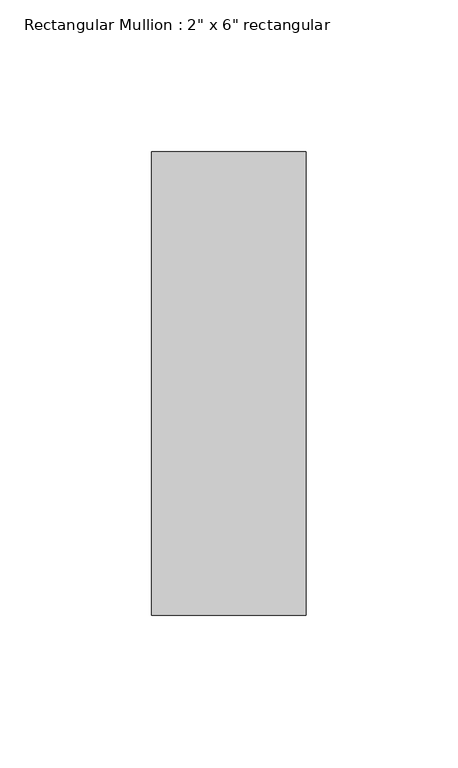
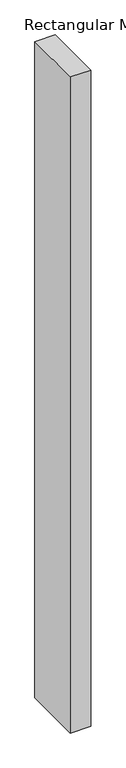
"""IFC4 building model written with IfcOpenShell, lengths in millimetres: member geometry."""

from ifc_helpers import new_model, si_unit, frame, origin, place, context, project, spatial, polyline, outline, extrude, source, transform, mapped, element, save


def member_778216fe(model_context):
    return source(origin(), model_context, "Body", "SweptSolid", [
        extrude(outline(polyline([(0.0, 76.2), (0.0, -76.2), (-50.8, -76.2), (-50.8, 76.2), (0.0, 76.2)])), frame((0.0, 0.0, -1727.2), z_axis=(0.0, 0.0, 1.0), x_axis=(1.0, 0.0, 0.0)), (0.0, 0.0, 1.0), 1727.2),
    ])


if __name__ == "__main__":
    model = new_model("IFC4")
    model_context = context("Model", 3, world=origin())
    ifc_project = project(units=[si_unit("LENGTHUNIT", "METRE", prefix="MILLI")], contexts=[model_context])
    site = spatial("IfcSite", under=ifc_project)
    building = spatial("IfcBuilding", under=site)
    placement = place(None, origin())
    member_shape = member_778216fe(model_context)
    element("IfcMember", 1, ObjectType="Rectangular Mullion : 2\" x 6\" rectangular", at=placement, inside=building, context=model_context, shape_type="MappedRepresentation", body=[
        mapped(member_shape, transform((0.0, 0.0, 0.0), x_axis=(1.0, 0.0, 0.0), y_axis=(0.0, 1.0, 0.0), z_axis=(0.0, 0.0, 1.0))),
    ])
    save(model, "model.ifc")
